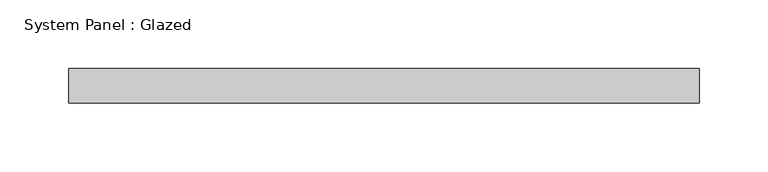
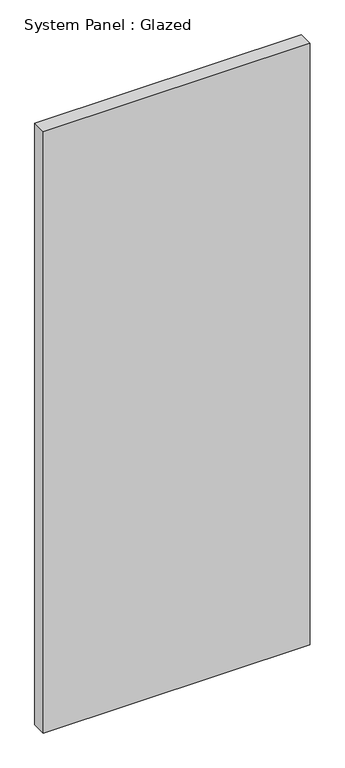
"""IFC4 building model written with IfcOpenShell, lengths in millimetres: plate geometry, System Panel : Glazed."""

from ifc_helpers import new_model, si_unit, origin, origin_with_axes, place, context, project, spatial, polyline, outline, extrude, source, transform, mapped, element, save


def system_panel_glazed_342628d8(model_context):
    return source(origin(), model_context, "Body", "SweptSolid", [
        extrude(outline(polyline([(230.0, -44.45), (-230.0, -44.45), (-230.0, -19.05), (230.0, -19.05), (230.0, -44.45)])), origin_with_axes(), (0.0, 0.0, 1.0), 1095.04),
    ])


if __name__ == "__main__":
    model = new_model("IFC4")
    model_context = context("Model", 3, world=origin())
    ifc_project = project(units=[si_unit("LENGTHUNIT", "METRE", prefix="MILLI")], contexts=[model_context])
    site = spatial("IfcSite", under=ifc_project)
    building = spatial("IfcBuilding", under=site)
    placement = place(None, origin())
    system_panel_glazed_shape = system_panel_glazed_342628d8(model_context)
    element("IfcPlate", 1, ObjectType="System Panel : Glazed", at=placement, inside=building, context=model_context, shape_type="MappedRepresentation", body=[
        mapped(system_panel_glazed_shape, transform((0.0, 0.0, 0.0), x_axis=(1.0, 0.0, 0.0), y_axis=(0.0, 1.0, 0.0), z_axis=(0.0, 0.0, 1.0))),
    ])
    save(model, "model.ifc")
